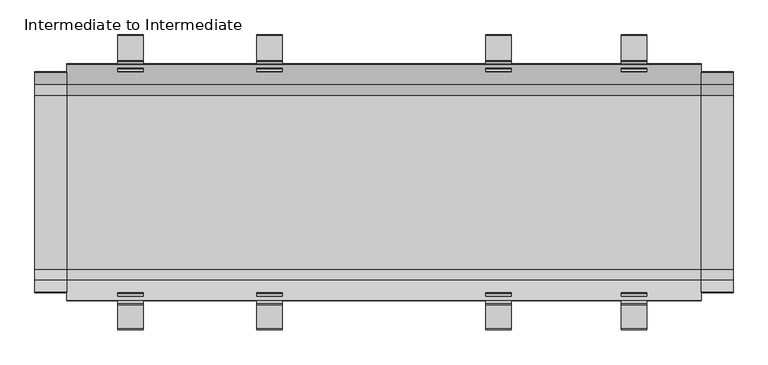
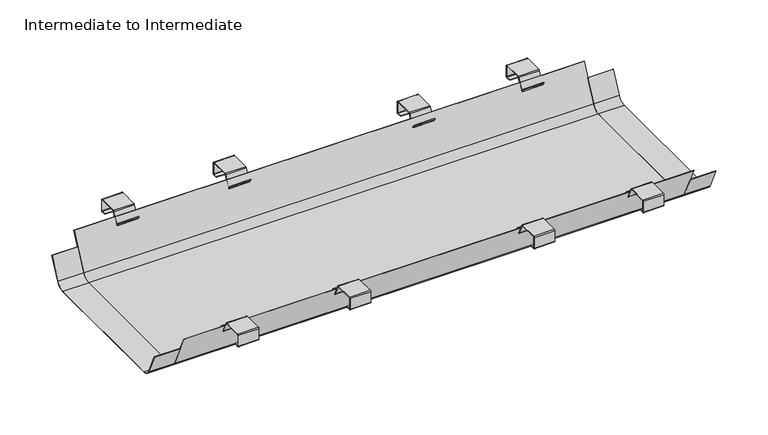
"""IFC4 building model written with IfcOpenShell, lengths in millimetres: furniture geometry, Intermediate to Intermediate."""

from ifc_helpers import new_model, si_unit, point, frame, frame_2d, origin, place, context, project, spatial, polyline, circle_curve, trimmed, segment, composite_curve, outline, extrude, source, transform, mapped, element, save


def intermediate_to_intermediate_bc92e40a(model_context):
    return source(origin(), model_context, "Body", "SweptSolid", [
        extrude(outline(composite_curve([segment(polyline([(236.9729352, 642.5575422), (237.7839823, 642.1793448), (211.0912035, 584.9364958)]), True, "CONTINUOUS"), segment(trimmed(circle_curve(frame_2d((187.2031002, 596.0757013)), 26.3576056), [point((211.0912035, 584.9364958))], [point((187.2031002, 569.7180957))], False, "CARTESIAN"), True, "CONTINUOUS"), segment(polyline([(187.2031002, 569.7180957), (-186.8906002, 569.7180957)]), True, "CONTINUOUS"), segment(trimmed(circle_curve(frame_2d((-186.8906002, 596.0757013)), 26.3576056), [point((-186.8906002, 569.7180957))], [point((-210.7787035, 584.9364958))], False, "CARTESIAN"), True, "CONTINUOUS"), segment(polyline([(-210.7787035, 584.9364958), (-237.5367758, 642.3193672), (-236.7257287, 642.6975646), (-209.8405997, 585.0422193)]), True, "CONTINUOUS"), segment(trimmed(circle_curve(frame_2d((-187.182905, 595.6076758)), 25.0), [point((-209.8405997, 585.0422193))], [point((-187.182905, 570.6076758))], True, "CARTESIAN"), True, "CONTINUOUS"), segment(polyline([(-187.182905, 570.6076758), (187.495405, 570.6076758)]), True, "CONTINUOUS"), segment(trimmed(circle_curve(frame_2d((187.495405, 595.6076758)), 25.0), [point((187.495405, 570.6076758))], [point((210.1530997, 585.0422193))], True, "CARTESIAN"), True, "CONTINUOUS"), segment(polyline([(210.1530997, 585.0422193), (236.9729352, 642.5575422)]), True, "CONTINUOUS")], self_intersect=False)), frame((-749.9970374, 0.0, 0.0), z_axis=(1.0, 0.0, 0.0), x_axis=(0.0, 1.0, 0.0)), (0.0, 0.0, 1.0), 68.7448935),
        extrude(outline(composite_curve([segment(polyline([(-314.3902006, 691.2175894), (-262.5863476, 691.2175894)]), True, "CONTINUOUS"), segment(trimmed(circle_curve(frame_2d((-262.5863476, 688.1906532)), 3.0269361), [point((-262.5863476, 691.2175894))], [point((-259.8430196, 689.4699085))], False, "CARTESIAN"), True, "CONTINUOUS"), segment(polyline([(-259.8430196, 689.4699085), (-246.5846085, 661.037607)]), True, "CONTINUOUS"), segment(trimmed(circle_curve(frame_2d((-245.4846589, 661.5505301)), 1.2136636), [point((-246.5846085, 661.037607))], [point((-244.4904732, 660.8544166))], True, "CARTESIAN"), True, "CONTINUOUS"), segment(polyline([(-244.4904732, 660.8544166), (-238.583501, 669.2907232), (-237.3549672, 668.4305362), (-243.4492366, 659.7265967)]), True, "CONTINUOUS"), segment(trimmed(circle_curve(frame_2d((-245.517585, 661.1747998)), 2.524947), [point((-243.4492366, 659.7265967))], [point((-247.8059576, 660.1076971))], False, "CARTESIAN"), True, "CONTINUOUS"), segment(polyline([(-247.8059576, 660.1076971), (-261.3735958, 689.2031275)]), True, "CONTINUOUS"), segment(trimmed(circle_curve(frame_2d((-262.1811743, 688.8265414)), 0.8910668), [point((-261.3735958, 689.2031275))], [point((-262.1811743, 689.7176083))], True, "CARTESIAN"), True, "CONTINUOUS"), segment(polyline([(-262.1811743, 689.7176083), (-313.9528471, 689.7176083)]), True, "CONTINUOUS"), segment(trimmed(circle_curve(frame_2d((-313.9528471, 688.5126976)), 1.2049106), [point((-313.9528471, 689.7176083))], [point((-315.1577577, 688.5126976))], True, "CARTESIAN"), True, "CONTINUOUS"), segment(polyline([(-315.1577577, 688.5126976), (-315.1577577, 658.6910173)]), True, "CONTINUOUS"), segment(trimmed(circle_curve(frame_2d((-314.1843397, 658.6910173)), 0.973418), [point((-315.1577577, 658.6910173))], [point((-314.1843397, 657.7175993))], True, "CARTESIAN"), True, "CONTINUOUS"), segment(polyline([(-314.1843397, 657.7175993), (-301.6596991, 657.7175993), (-301.6596991, 656.2176182), (-314.147136, 656.2176182)]), True, "CONTINUOUS"), segment(trimmed(circle_curve(frame_2d((-314.147136, 658.7282211)), 2.5106029), [point((-314.147136, 656.2176182))], [point((-316.6577389, 658.7282211))], False, "CARTESIAN"), True, "CONTINUOUS"), segment(polyline([(-316.6577389, 658.7282211), (-316.6577389, 688.9500511)]), True, "CONTINUOUS"), segment(trimmed(circle_curve(frame_2d((-314.3902006, 688.9500511)), 2.2675383), [point((-316.6577389, 688.9500511))], [point((-314.3902006, 691.2175894))], False, "CARTESIAN"), True, "CONTINUOUS")], self_intersect=False)), frame((-572.021592, 0.0, 0.0), z_axis=(1.0, 0.0, 0.0), x_axis=(0.0, 1.0, 0.0)), (0.0, 0.0, 1.0), 55.0186294),
        extrude(outline(composite_curve([segment(trimmed(circle_curve(frame_2d((314.3902006, 688.9500511)), 2.2675383), [point((314.3902006, 691.2175894))], [point((316.6577389, 688.9500511))], False, "CARTESIAN"), True, "CONTINUOUS"), segment(polyline([(316.6577389, 688.9500511), (316.6577389, 658.7282211)]), True, "CONTINUOUS"), segment(trimmed(circle_curve(frame_2d((314.147136, 658.7282211)), 2.5106029), [point((316.6577389, 658.7282211))], [point((314.147136, 656.2176182))], False, "CARTESIAN"), True, "CONTINUOUS"), segment(polyline([(314.147136, 656.2176182), (301.6596991, 656.2176182), (301.6596991, 657.7175993), (314.1843397, 657.7175993)]), True, "CONTINUOUS"), segment(trimmed(circle_curve(frame_2d((314.1843397, 658.6910173)), 0.973418), [point((314.1843397, 657.7175993))], [point((315.1577577, 658.6910173))], True, "CARTESIAN"), True, "CONTINUOUS"), segment(polyline([(315.1577577, 658.6910173), (315.1577577, 688.5126976)]), True, "CONTINUOUS"), segment(trimmed(circle_curve(frame_2d((313.9528471, 688.5126976)), 1.2049106), [point((315.1577577, 688.5126976))], [point((313.9528471, 689.7176083))], True, "CARTESIAN"), True, "CONTINUOUS"), segment(polyline([(313.9528471, 689.7176083), (262.1811743, 689.7176083)]), True, "CONTINUOUS"), segment(trimmed(circle_curve(frame_2d((262.1811743, 688.8265414)), 0.8910668), [point((262.1811743, 689.7176083))], [point((261.3735958, 689.2031275))], True, "CARTESIAN"), True, "CONTINUOUS"), segment(polyline([(261.3735958, 689.2031275), (247.8059576, 660.1076971)]), True, "CONTINUOUS"), segment(trimmed(circle_curve(frame_2d((245.517585, 661.1747998)), 2.524947), [point((247.8059576, 660.1076971))], [point((243.4492366, 659.7265967))], False, "CARTESIAN"), True, "CONTINUOUS"), segment(polyline([(243.4492366, 659.7265967), (237.3549672, 668.4305362), (238.583501, 669.2907232), (244.4904732, 660.8544166)]), True, "CONTINUOUS"), segment(trimmed(circle_curve(frame_2d((245.4846589, 661.5505301)), 1.2136636), [point((244.4904732, 660.8544166))], [point((246.5846085, 661.037607))], True, "CARTESIAN"), True, "CONTINUOUS"), segment(polyline([(246.5846085, 661.037607), (259.8430196, 689.4699085)]), True, "CONTINUOUS"), segment(trimmed(circle_curve(frame_2d((262.5863476, 688.1906532)), 3.0269361), [point((259.8430196, 689.4699085))], [point((262.5863476, 691.2175894))], False, "CARTESIAN"), True, "CONTINUOUS"), segment(polyline([(262.5863476, 691.2175894), (314.3902006, 691.2175894)]), True, "CONTINUOUS")], self_intersect=False)), frame((-572.021592, 0.0, 0.0), z_axis=(1.0, 0.0, 0.0), x_axis=(0.0, 1.0, 0.0)), (0.0, 0.0, 1.0), 55.0186294),
        extrude(outline(composite_curve([segment(polyline([(-314.3902006, 691.2175894), (-262.5863476, 691.2175894)]), True, "CONTINUOUS"), segment(trimmed(circle_curve(frame_2d((-262.5863476, 688.1906532)), 3.0269361), [point((-262.5863476, 691.2175894))], [point((-259.8430196, 689.4699085))], False, "CARTESIAN"), True, "CONTINUOUS"), segment(polyline([(-259.8430196, 689.4699085), (-246.5846085, 661.037607)]), True, "CONTINUOUS"), segment(trimmed(circle_curve(frame_2d((-245.4846589, 661.5505301)), 1.2136636), [point((-246.5846085, 661.037607))], [point((-244.4904732, 660.8544166))], True, "CARTESIAN"), True, "CONTINUOUS"), segment(polyline([(-244.4904732, 660.8544166), (-238.583501, 669.2907232), (-237.3549672, 668.4305362), (-243.4492366, 659.7265967)]), True, "CONTINUOUS"), segment(trimmed(circle_curve(frame_2d((-245.517585, 661.1747998)), 2.524947), [point((-243.4492366, 659.7265967))], [point((-247.8059576, 660.1076971))], False, "CARTESIAN"), True, "CONTINUOUS"), segment(polyline([(-247.8059576, 660.1076971), (-261.3735958, 689.2031275)]), True, "CONTINUOUS"), segment(trimmed(circle_curve(frame_2d((-262.1811743, 688.8265414)), 0.8910668), [point((-261.3735958, 689.2031275))], [point((-262.1811743, 689.7176083))], True, "CARTESIAN"), True, "CONTINUOUS"), segment(polyline([(-262.1811743, 689.7176083), (-313.9528471, 689.7176083)]), True, "CONTINUOUS"), segment(trimmed(circle_curve(frame_2d((-313.9528471, 688.5126976)), 1.2049106), [point((-313.9528471, 689.7176083))], [point((-315.1577577, 688.5126976))], True, "CARTESIAN"), True, "CONTINUOUS"), segment(polyline([(-315.1577577, 688.5126976), (-315.1577577, 658.6910173)]), True, "CONTINUOUS"), segment(trimmed(circle_curve(frame_2d((-314.1843397, 658.6910173)), 0.973418), [point((-315.1577577, 658.6910173))], [point((-314.1843397, 657.7175993))], True, "CARTESIAN"), True, "CONTINUOUS"), segment(polyline([(-314.1843397, 657.7175993), (-301.6596991, 657.7175993), (-301.6596991, 656.2176182), (-314.147136, 656.2176182)]), True, "CONTINUOUS"), segment(trimmed(circle_curve(frame_2d((-314.147136, 658.7282211)), 2.5106029), [point((-314.147136, 656.2176182))], [point((-316.6577389, 658.7282211))], False, "CARTESIAN"), True, "CONTINUOUS"), segment(polyline([(-316.6577389, 658.7282211), (-316.6577389, 688.9500511)]), True, "CONTINUOUS"), segment(trimmed(circle_curve(frame_2d((-314.3902006, 688.9500511)), 2.2675383), [point((-316.6577389, 688.9500511))], [point((-314.3902006, 691.2175894))], False, "CARTESIAN"), True, "CONTINUOUS")], self_intersect=False)), frame((-273.4528805, 0.0, 0.0), z_axis=(1.0, 0.0, 0.0), x_axis=(0.0, 1.0, 0.0)), (0.0, 0.0, 1.0), 54.9870932),
        extrude(outline(composite_curve([segment(trimmed(circle_curve(frame_2d((314.3902006, 688.9500511)), 2.2675383), [point((314.3902006, 691.2175894))], [point((316.6577389, 688.9500511))], False, "CARTESIAN"), True, "CONTINUOUS"), segment(polyline([(316.6577389, 688.9500511), (316.6577389, 658.7282211)]), True, "CONTINUOUS"), segment(trimmed(circle_curve(frame_2d((314.147136, 658.7282211)), 2.5106029), [point((316.6577389, 658.7282211))], [point((314.147136, 656.2176182))], False, "CARTESIAN"), True, "CONTINUOUS"), segment(polyline([(314.147136, 656.2176182), (301.6596991, 656.2176182), (301.6596991, 657.7175993), (314.1843397, 657.7175993)]), True, "CONTINUOUS"), segment(trimmed(circle_curve(frame_2d((314.1843397, 658.6910173)), 0.973418), [point((314.1843397, 657.7175993))], [point((315.1577577, 658.6910173))], True, "CARTESIAN"), True, "CONTINUOUS"), segment(polyline([(315.1577577, 658.6910173), (315.1577577, 688.5126976)]), True, "CONTINUOUS"), segment(trimmed(circle_curve(frame_2d((313.9528471, 688.5126976)), 1.2049106), [point((315.1577577, 688.5126976))], [point((313.9528471, 689.7176083))], True, "CARTESIAN"), True, "CONTINUOUS"), segment(polyline([(313.9528471, 689.7176083), (262.1811743, 689.7176083)]), True, "CONTINUOUS"), segment(trimmed(circle_curve(frame_2d((262.1811743, 688.8265414)), 0.8910668), [point((262.1811743, 689.7176083))], [point((261.3735958, 689.2031275))], True, "CARTESIAN"), True, "CONTINUOUS"), segment(polyline([(261.3735958, 689.2031275), (247.8059576, 660.1076971)]), True, "CONTINUOUS"), segment(trimmed(circle_curve(frame_2d((245.517585, 661.1747998)), 2.524947), [point((247.8059576, 660.1076971))], [point((243.4492366, 659.7265967))], False, "CARTESIAN"), True, "CONTINUOUS"), segment(polyline([(243.4492366, 659.7265967), (237.3549672, 668.4305362), (238.583501, 669.2907232), (244.4904732, 660.8544166)]), True, "CONTINUOUS"), segment(trimmed(circle_curve(frame_2d((245.4846589, 661.5505301)), 1.2136636), [point((244.4904732, 660.8544166))], [point((246.5846085, 661.037607))], True, "CARTESIAN"), True, "CONTINUOUS"), segment(polyline([(246.5846085, 661.037607), (259.8430196, 689.4699085)]), True, "CONTINUOUS"), segment(trimmed(circle_curve(frame_2d((262.5863476, 688.1906532)), 3.0269361), [point((259.8430196, 689.4699085))], [point((262.5863476, 691.2175894))], False, "CARTESIAN"), True, "CONTINUOUS"), segment(polyline([(262.5863476, 691.2175894), (314.3902006, 691.2175894)]), True, "CONTINUOUS")], self_intersect=False)), frame((-273.4528805, 0.0, 0.0), z_axis=(1.0, 0.0, 0.0), x_axis=(0.0, 1.0, 0.0)), (0.0, 0.0, 1.0), 54.9870932),
        extrude(outline(composite_curve([segment(polyline([(-314.3902006, 691.2175894), (-262.5863476, 691.2175894)]), True, "CONTINUOUS"), segment(trimmed(circle_curve(frame_2d((-262.5863476, 688.1906532)), 3.0269361), [point((-262.5863476, 691.2175894))], [point((-259.8430196, 689.4699085))], False, "CARTESIAN"), True, "CONTINUOUS"), segment(polyline([(-259.8430196, 689.4699085), (-246.5846085, 661.037607)]), True, "CONTINUOUS"), segment(trimmed(circle_curve(frame_2d((-245.4846589, 661.5505301)), 1.2136636), [point((-246.5846085, 661.037607))], [point((-244.4904732, 660.8544166))], True, "CARTESIAN"), True, "CONTINUOUS"), segment(polyline([(-244.4904732, 660.8544166), (-238.583501, 669.2907232), (-237.3549672, 668.4305362), (-243.4492366, 659.7265967)]), True, "CONTINUOUS"), segment(trimmed(circle_curve(frame_2d((-245.517585, 661.1747998)), 2.524947), [point((-243.4492366, 659.7265967))], [point((-247.8059576, 660.1076971))], False, "CARTESIAN"), True, "CONTINUOUS"), segment(polyline([(-247.8059576, 660.1076971), (-261.3735958, 689.2031275)]), True, "CONTINUOUS"), segment(trimmed(circle_curve(frame_2d((-262.1811743, 688.8265414)), 0.8910668), [point((-261.3735958, 689.2031275))], [point((-262.1811743, 689.7176083))], True, "CARTESIAN"), True, "CONTINUOUS"), segment(polyline([(-262.1811743, 689.7176083), (-313.9528471, 689.7176083)]), True, "CONTINUOUS"), segment(trimmed(circle_curve(frame_2d((-313.9528471, 688.5126976)), 1.2049106), [point((-313.9528471, 689.7176083))], [point((-315.1577577, 688.5126976))], True, "CARTESIAN"), True, "CONTINUOUS"), segment(polyline([(-315.1577577, 688.5126976), (-315.1577577, 658.6910173)]), True, "CONTINUOUS"), segment(trimmed(circle_curve(frame_2d((-314.1843397, 658.6910173)), 0.973418), [point((-315.1577577, 658.6910173))], [point((-314.1843397, 657.7175993))], True, "CARTESIAN"), True, "CONTINUOUS"), segment(polyline([(-314.1843397, 657.7175993), (-301.6596991, 657.7175993), (-301.6596991, 656.2176182), (-314.147136, 656.2176182)]), True, "CONTINUOUS"), segment(trimmed(circle_curve(frame_2d((-314.147136, 658.7282211)), 2.5106029), [point((-314.147136, 656.2176182))], [point((-316.6577389, 658.7282211))], False, "CARTESIAN"), True, "CONTINUOUS"), segment(polyline([(-316.6577389, 658.7282211), (-316.6577389, 688.9500511)]), True, "CONTINUOUS"), segment(trimmed(circle_curve(frame_2d((-314.3902006, 688.9500511)), 2.2675383), [point((-316.6577389, 688.9500511))], [point((-314.3902006, 691.2175894))], False, "CARTESIAN"), True, "CONTINUOUS")], self_intersect=False)), frame((509.9849359, 0.0, 0.0), z_axis=(1.0, 0.0, 0.0), x_axis=(0.0, 1.0, 0.0)), (0.0, 0.0, 1.0), 55.0121015),
        extrude(outline(composite_curve([segment(trimmed(circle_curve(frame_2d((314.3902006, 688.9500511)), 2.2675383), [point((314.3902006, 691.2175894))], [point((316.6577389, 688.9500511))], False, "CARTESIAN"), True, "CONTINUOUS"), segment(polyline([(316.6577389, 688.9500511), (316.6577389, 658.7282211)]), True, "CONTINUOUS"), segment(trimmed(circle_curve(frame_2d((314.147136, 658.7282211)), 2.5106029), [point((316.6577389, 658.7282211))], [point((314.147136, 656.2176182))], False, "CARTESIAN"), True, "CONTINUOUS"), segment(polyline([(314.147136, 656.2176182), (301.6596991, 656.2176182), (301.6596991, 657.7175993), (314.1843397, 657.7175993)]), True, "CONTINUOUS"), segment(trimmed(circle_curve(frame_2d((314.1843397, 658.6910173)), 0.973418), [point((314.1843397, 657.7175993))], [point((315.1577577, 658.6910173))], True, "CARTESIAN"), True, "CONTINUOUS"), segment(polyline([(315.1577577, 658.6910173), (315.1577577, 688.5126976)]), True, "CONTINUOUS"), segment(trimmed(circle_curve(frame_2d((313.9528471, 688.5126976)), 1.2049106), [point((315.1577577, 688.5126976))], [point((313.9528471, 689.7176083))], True, "CARTESIAN"), True, "CONTINUOUS"), segment(polyline([(313.9528471, 689.7176083), (262.1811743, 689.7176083)]), True, "CONTINUOUS"), segment(trimmed(circle_curve(frame_2d((262.1811743, 688.8265414)), 0.8910668), [point((262.1811743, 689.7176083))], [point((261.3735958, 689.2031275))], True, "CARTESIAN"), True, "CONTINUOUS"), segment(polyline([(261.3735958, 689.2031275), (247.8059576, 660.1076971)]), True, "CONTINUOUS"), segment(trimmed(circle_curve(frame_2d((245.517585, 661.1747998)), 2.524947), [point((247.8059576, 660.1076971))], [point((243.4492366, 659.7265967))], False, "CARTESIAN"), True, "CONTINUOUS"), segment(polyline([(243.4492366, 659.7265967), (237.3549672, 668.4305362), (238.583501, 669.2907232), (244.4904732, 660.8544166)]), True, "CONTINUOUS"), segment(trimmed(circle_curve(frame_2d((245.4846589, 661.5505301)), 1.2136636), [point((244.4904732, 660.8544166))], [point((246.5846085, 661.037607))], True, "CARTESIAN"), True, "CONTINUOUS"), segment(polyline([(246.5846085, 661.037607), (259.8430196, 689.4699085)]), True, "CONTINUOUS"), segment(trimmed(circle_curve(frame_2d((262.5863476, 688.1906532)), 3.0269361), [point((259.8430196, 689.4699085))], [point((262.5863476, 691.2175894))], False, "CARTESIAN"), True, "CONTINUOUS"), segment(polyline([(262.5863476, 691.2175894), (314.3902006, 691.2175894)]), True, "CONTINUOUS")], self_intersect=False)), frame((509.9849359, 0.0, 0.0), z_axis=(1.0, 0.0, 0.0), x_axis=(0.0, 1.0, 0.0)), (0.0, 0.0, 1.0), 55.0121015),
        extrude(outline(composite_curve([segment(polyline([(-314.3902006, 691.2175894), (-262.5863476, 691.2175894)]), True, "CONTINUOUS"), segment(trimmed(circle_curve(frame_2d((-262.5863476, 688.1906532)), 3.0269361), [point((-262.5863476, 691.2175894))], [point((-259.8430196, 689.4699085))], False, "CARTESIAN"), True, "CONTINUOUS"), segment(polyline([(-259.8430196, 689.4699085), (-246.5846085, 661.037607)]), True, "CONTINUOUS"), segment(trimmed(circle_curve(frame_2d((-245.4846589, 661.5505301)), 1.2136636), [point((-246.5846085, 661.037607))], [point((-244.4904732, 660.8544166))], True, "CARTESIAN"), True, "CONTINUOUS"), segment(polyline([(-244.4904732, 660.8544166), (-238.583501, 669.2907232), (-237.3549672, 668.4305362), (-243.4492366, 659.7265967)]), True, "CONTINUOUS"), segment(trimmed(circle_curve(frame_2d((-245.517585, 661.1747998)), 2.524947), [point((-243.4492366, 659.7265967))], [point((-247.8059576, 660.1076971))], False, "CARTESIAN"), True, "CONTINUOUS"), segment(polyline([(-247.8059576, 660.1076971), (-261.3735958, 689.2031275)]), True, "CONTINUOUS"), segment(trimmed(circle_curve(frame_2d((-262.1811743, 688.8265414)), 0.8910668), [point((-261.3735958, 689.2031275))], [point((-262.1811743, 689.7176083))], True, "CARTESIAN"), True, "CONTINUOUS"), segment(polyline([(-262.1811743, 689.7176083), (-313.9528471, 689.7176083)]), True, "CONTINUOUS"), segment(trimmed(circle_curve(frame_2d((-313.9528471, 688.5126976)), 1.2049106), [point((-313.9528471, 689.7176083))], [point((-315.1577577, 688.5126976))], True, "CARTESIAN"), True, "CONTINUOUS"), segment(polyline([(-315.1577577, 688.5126976), (-315.1577577, 658.6910173)]), True, "CONTINUOUS"), segment(trimmed(circle_curve(frame_2d((-314.1843397, 658.6910173)), 0.973418), [point((-315.1577577, 658.6910173))], [point((-314.1843397, 657.7175993))], True, "CARTESIAN"), True, "CONTINUOUS"), segment(polyline([(-314.1843397, 657.7175993), (-301.6596991, 657.7175993), (-301.6596991, 656.2176182), (-314.147136, 656.2176182)]), True, "CONTINUOUS"), segment(trimmed(circle_curve(frame_2d((-314.147136, 658.7282211)), 2.5106029), [point((-314.147136, 656.2176182))], [point((-316.6577389, 658.7282211))], False, "CARTESIAN"), True, "CONTINUOUS"), segment(polyline([(-316.6577389, 658.7282211), (-316.6577389, 688.9500511)]), True, "CONTINUOUS"), segment(trimmed(circle_curve(frame_2d((-314.3902006, 688.9500511)), 2.2675383), [point((-316.6577389, 688.9500511))], [point((-314.3902006, 691.2175894))], False, "CARTESIAN"), True, "CONTINUOUS")], self_intersect=False)), frame((218.4657874, 0.0, 0.0), z_axis=(1.0, 0.0, 0.0), x_axis=(0.0, 1.0, 0.0)), (0.0, 0.0, 1.0), 54.9870932),
        extrude(outline(composite_curve([segment(trimmed(circle_curve(frame_2d((314.3902006, 688.9500511)), 2.2675383), [point((314.3902006, 691.2175894))], [point((316.6577389, 688.9500511))], False, "CARTESIAN"), True, "CONTINUOUS"), segment(polyline([(316.6577389, 688.9500511), (316.6577389, 658.7282211)]), True, "CONTINUOUS"), segment(trimmed(circle_curve(frame_2d((314.147136, 658.7282211)), 2.5106029), [point((316.6577389, 658.7282211))], [point((314.147136, 656.2176182))], False, "CARTESIAN"), True, "CONTINUOUS"), segment(polyline([(314.147136, 656.2176182), (301.6596991, 656.2176182), (301.6596991, 657.7175993), (314.1843397, 657.7175993)]), True, "CONTINUOUS"), segment(trimmed(circle_curve(frame_2d((314.1843397, 658.6910173)), 0.973418), [point((314.1843397, 657.7175993))], [point((315.1577577, 658.6910173))], True, "CARTESIAN"), True, "CONTINUOUS"), segment(polyline([(315.1577577, 658.6910173), (315.1577577, 688.5126976)]), True, "CONTINUOUS"), segment(trimmed(circle_curve(frame_2d((313.9528471, 688.5126976)), 1.2049106), [point((315.1577577, 688.5126976))], [point((313.9528471, 689.7176083))], True, "CARTESIAN"), True, "CONTINUOUS"), segment(polyline([(313.9528471, 689.7176083), (262.1811743, 689.7176083)]), True, "CONTINUOUS"), segment(trimmed(circle_curve(frame_2d((262.1811743, 688.8265414)), 0.8910668), [point((262.1811743, 689.7176083))], [point((261.3735958, 689.2031275))], True, "CARTESIAN"), True, "CONTINUOUS"), segment(polyline([(261.3735958, 689.2031275), (247.8059576, 660.1076971)]), True, "CONTINUOUS"), segment(trimmed(circle_curve(frame_2d((245.517585, 661.1747998)), 2.524947), [point((247.8059576, 660.1076971))], [point((243.4492366, 659.7265967))], False, "CARTESIAN"), True, "CONTINUOUS"), segment(polyline([(243.4492366, 659.7265967), (237.3549672, 668.4305362), (238.583501, 669.2907232), (244.4904732, 660.8544166)]), True, "CONTINUOUS"), segment(trimmed(circle_curve(frame_2d((245.4846589, 661.5505301)), 1.2136636), [point((244.4904732, 660.8544166))], [point((246.5846085, 661.037607))], True, "CARTESIAN"), True, "CONTINUOUS"), segment(polyline([(246.5846085, 661.037607), (259.8430196, 689.4699085)]), True, "CONTINUOUS"), segment(trimmed(circle_curve(frame_2d((262.5863476, 688.1906532)), 3.0269361), [point((259.8430196, 689.4699085))], [point((262.5863476, 691.2175894))], False, "CARTESIAN"), True, "CONTINUOUS"), segment(polyline([(262.5863476, 691.2175894), (314.3902006, 691.2175894)]), True, "CONTINUOUS")], self_intersect=False)), frame((218.4657874, 0.0, 0.0), z_axis=(1.0, 0.0, 0.0), x_axis=(0.0, 1.0, 0.0)), (0.0, 0.0, 1.0), 54.9870932),
        extrude(outline(composite_curve([segment(polyline([(236.9729352, 642.5575422), (237.7839823, 642.1793448), (211.0912035, 584.9364958)]), True, "CONTINUOUS"), segment(trimmed(circle_curve(frame_2d((187.2031002, 596.0757013)), 26.3576056), [point((211.0912035, 584.9364958))], [point((187.2031002, 569.7180957))], False, "CARTESIAN"), True, "CONTINUOUS"), segment(polyline([(187.2031002, 569.7180957), (-186.8906002, 569.7180957)]), True, "CONTINUOUS"), segment(trimmed(circle_curve(frame_2d((-186.8906002, 596.0757013)), 26.3576056), [point((-186.8906002, 569.7180957))], [point((-210.7787035, 584.9364958))], False, "CARTESIAN"), True, "CONTINUOUS"), segment(polyline([(-210.7787035, 584.9364958), (-237.5367758, 642.3193672), (-236.7257287, 642.6975646), (-209.8405997, 585.0422193)]), True, "CONTINUOUS"), segment(trimmed(circle_curve(frame_2d((-187.182905, 595.6076758)), 25.0), [point((-209.8405997, 585.0422193))], [point((-187.182905, 570.6076758))], True, "CARTESIAN"), True, "CONTINUOUS"), segment(polyline([(-187.182905, 570.6076758), (187.495405, 570.6076758)]), True, "CONTINUOUS"), segment(trimmed(circle_curve(frame_2d((187.495405, 595.6076758)), 25.0), [point((187.495405, 570.6076758))], [point((210.1530997, 585.0422193))], True, "CARTESIAN"), True, "CONTINUOUS"), segment(polyline([(210.1530997, 585.0422193), (236.9729352, 642.5575422)]), True, "CONTINUOUS")], self_intersect=False)), frame((681.2521439, 0.0, 0.0), z_axis=(1.0, 0.0, 0.0), x_axis=(0.0, 1.0, 0.0)), (0.0, 0.0, 1.0), 68.7448935),
        extrude(outline(composite_curve([segment(polyline([(253.8833112, 678.8219604), (254.6943582, 678.443763), (211.0912035, 584.9364958)]), True, "CONTINUOUS"), segment(trimmed(circle_curve(frame_2d((187.2031002, 596.0757013)), 26.3576056), [point((211.0912035, 584.9364958))], [point((187.2031002, 569.7180957))], False, "CARTESIAN"), True, "CONTINUOUS"), segment(polyline([(187.2031002, 569.7180957), (-186.8906002, 569.7180957)]), True, "CONTINUOUS"), segment(trimmed(circle_curve(frame_2d((-186.8906002, 596.0757013)), 26.3576056), [point((-186.8906002, 569.7180957))], [point((-210.7787035, 584.9364958))], False, "CARTESIAN"), True, "CONTINUOUS"), segment(polyline([(-210.7787035, 584.9364958), (-254.3818582, 678.443763), (-253.5708112, 678.8219604), (-209.8405997, 585.0422193)]), True, "CONTINUOUS"), segment(trimmed(circle_curve(frame_2d((-187.182905, 595.6076758)), 25.0), [point((-209.8405997, 585.0422193))], [point((-187.182905, 570.6076758))], True, "CARTESIAN"), True, "CONTINUOUS"), segment(polyline([(-187.182905, 570.6076758), (187.495405, 570.6076758)]), True, "CONTINUOUS"), segment(trimmed(circle_curve(frame_2d((187.495405, 595.6076758)), 25.0), [point((187.495405, 570.6076758))], [point((210.1530997, 585.0422193))], True, "CARTESIAN"), True, "CONTINUOUS"), segment(polyline([(210.1530997, 585.0422193), (253.8833112, 678.8219604)]), True, "CONTINUOUS")], self_intersect=False)), frame((-681.4990543, 0.0, 0.0), z_axis=(1.0, 0.0, 0.0), x_axis=(0.0, 1.0, 0.0)), (0.0, 0.0, 1.0), 1362.7511982),
    ])


if __name__ == "__main__":
    model = new_model("IFC4")
    model_context = context("Model", 3, world=origin())
    ifc_project = project(units=[si_unit("LENGTHUNIT", "METRE", prefix="MILLI")], contexts=[model_context])
    site = spatial("IfcSite", under=ifc_project)
    building = spatial("IfcBuilding", under=site)
    placement = place(None, origin())
    intermediate_to_intermediate_shape = intermediate_to_intermediate_bc92e40a(model_context)
    element("IfcFurniture", 1, ObjectType="Intermediate to Intermediate", at=placement, inside=building, context=model_context, shape_type="MappedRepresentation", body=[
        mapped(intermediate_to_intermediate_shape, transform((0.0, 0.0, 0.0), x_axis=(1.0, 0.0, 0.0), y_axis=(0.0, 1.0, 0.0), z_axis=(0.0, 0.0, 1.0))),
    ])
    save(model, "model.ifc")
